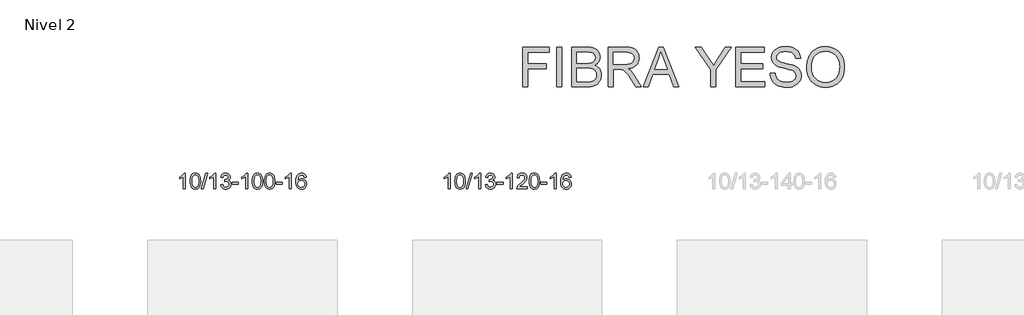
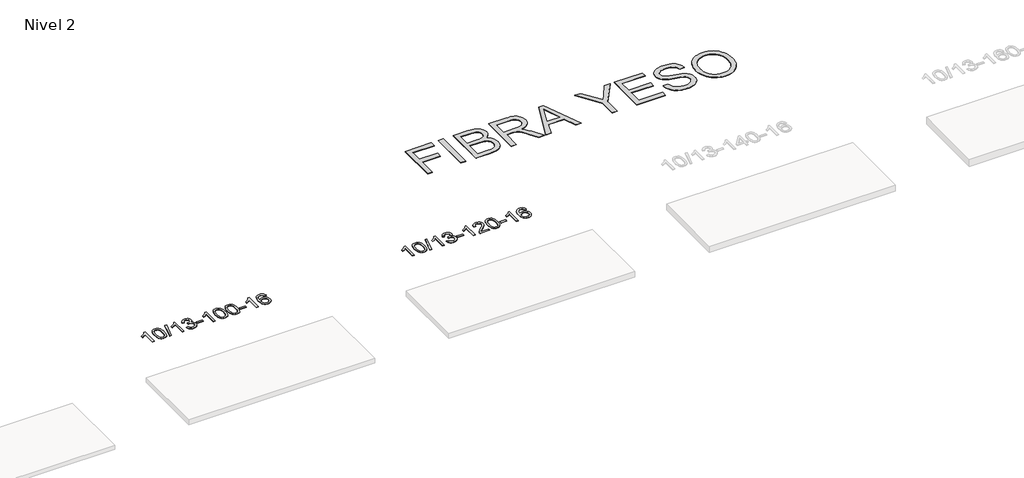
# One storey, part 25 of 51: 3 proxies.
"""IFC4 building model written with IfcOpenShell, lengths in millimetres."""

from ifc_helpers import new_model, si_unit, frame, origin, place, context, project, spatial, polyline, outline, extrude, element, save

model = new_model("IFC4")

# Units and contexts
model_context = context("Model", 3, world=origin())
ifc_project = project(units=[si_unit("LENGTHUNIT", "METRE", prefix="MILLI")], contexts=[model_context])

# Site, building, storey
site = spatial("IfcSite", under=ifc_project)
building = spatial("IfcBuilding", under=site)
storey = spatial("IfcBuildingStorey", under=building, Name="Nivel 2", Elevation=3000.0)

# Proxies
placement = place(None, origin())
element("IfcBuildingElementProxy", 1, Name="Texto de modelo 1", ObjectType="Texto de modelo 1", at=placement, inside=storey, context=model_context, shape_type="SweptSolid", body=[
    extrude(outline(polyline([(17714.5438724, -104863.8281584), (17664.3157174, -104863.8281584), (17664.3157174, -104550.6870041), (17643.3464436, -104567.6463641), (17616.7363126, -104584.5811986), (17563.8594072, -104609.9405308), (17563.8594072, -104562.459228), (17603.3086198, -104540.9994449), (17637.4848572, -104515.4684345), (17664.4260819, -104488.3187432), (17682.1702568, -104462.0029178), (17714.5438724, -104462.0029178), (17714.5438724, -104863.8281584)])), frame((0.0, 0.0, 3000.0), z_axis=(0.0, 0.0, 1.0), x_axis=(1.0, 0.0, 0.0)), (0.0, 0.0, 1.0), 10.0),
    extrude(outline(polyline([(17833.8357407, -104666.1528997), (17837.5268234, -104601.8348642), (17848.6000715, -104550.5398513), (17866.9451203, -104511.4830462), (17878.8031833, -104496.2496659), (17892.4516053, -104483.8796338), (17907.9363716, -104474.3085706), (17925.3034675, -104467.4720968), (17965.6846478, -104462.0029178), (17996.6357863, -104465.2402794), (18024.3495633, -104474.9523641), (18047.526129, -104490.7590271), (18064.8656337, -104512.2801238), (18077.9622327, -104539.3317132), (18088.4100814, -104571.7298543), (18095.2526865, -104612.8713241), (18097.5335549, -104666.1528997), (18093.8792604, -104730.1030532), (18082.9163769, -104781.2754387), (18064.6816927, -104820.3690321), (18052.8512209, -104835.6483976), (18039.2119959, -104848.082809), (18023.7088355, -104857.7182516), (18006.2865573, -104864.6007106), (17965.6846478, -104870.1066778), (17938.0199218, -104867.7154449), (17913.4944554, -104860.5417459), (17892.1082488, -104848.5855811), (17873.8613018, -104831.8469503), (17856.3501188, -104801.5886562), (17843.842131, -104763.8868831), (17836.3373383, -104718.7416309), (17833.8357407, -104666.1528997)]), holes=[polyline([(17884.0638958, -104666.0547978), (17885.5354238, -104709.719325), (17889.9500077, -104745.0635877), (17897.3076476, -104772.0875859), (17907.6083435, -104790.7913197), (17920.0672804, -104803.516971), (17933.8996434, -104812.606722), (17949.1054325, -104818.0605726), (17965.6846478, -104819.8785227), (17982.263863, -104818.0544412), (17997.4696522, -104812.5821965), (18011.3020152, -104803.4617887), (18023.7609521, -104790.6932178), (18034.061648, -104771.9588272), (18041.4192879, -104744.9409603), (18045.8338718, -104709.6396172), (18047.3053998, -104666.0547978), (18045.8829227, -104623.5460333), (18041.6154916, -104588.8241043), (18034.5031064, -104561.8890109), (18024.545767, -104542.740753), (18012.2952966, -104529.392768), (17998.303518, -104519.8584929), (17982.5704314, -104514.1379279), (17965.0960366, -104512.2310729), (17948.6026605, -104513.9110674), (17933.6543888, -104518.9510507), (17920.2512214, -104527.3510229), (17908.3931584, -104539.110984), (17897.749106, -104559.9576304), (17890.1462115, -104588.0638149), (17885.5844747, -104623.4295373), (17884.0638958, -104666.0547978)])]), frame((0.0, 0.0, 3000.0), z_axis=(0.0, 0.0, 1.0), x_axis=(1.0, 0.0, 0.0)), (0.0, 0.0, 1.0), 10.0),
    extrude(outline(polyline([(18116.369113, -104863.8281584), (18229.3824619, -104462.0029178), (18274.7055237, -104462.0029178), (18161.6921748, -104863.8281584), (18116.369113, -104863.8281584)])), frame((0.0, 0.0, 3000.0), z_axis=(0.0, 0.0, 1.0), x_axis=(1.0, 0.0, 0.0)), (0.0, 0.0, 1.0), 10.0),
    extrude(outline(polyline([(18486.8017567, -104863.8281584), (18436.5736016, -104863.8281584), (18436.5736016, -104550.6870041), (18415.6043279, -104567.6463641), (18388.9941969, -104584.5811986), (18336.1172915, -104609.9405308), (18336.1172915, -104562.459228), (18375.5665041, -104540.9994449), (18409.7427414, -104515.4684345), (18436.6839662, -104488.3187432), (18454.4281411, -104462.0029178), (18486.8017567, -104462.0029178), (18486.8017567, -104863.8281584)])), frame((0.0, 0.0, 3000.0), z_axis=(0.0, 0.0, 1.0), x_axis=(1.0, 0.0, 0.0)), (0.0, 0.0, 1.0), 10.0),
    extrude(outline(polyline([(18606.093625, -104757.0933289), (18656.3217801, -104750.8148095), (18667.5667064, -104782.3790847), (18684.035557, -104803.691715), (18706.5376724, -104815.8318208), (18735.8823929, -104819.8785227), (18770.3161476, -104814.3112419), (18784.5899691, -104807.3521408), (18796.9017532, -104797.6093993), (18813.8979013, -104772.6915255), (18819.5632841, -104742.476151), (18813.9469523, -104713.7936181), (18797.0979569, -104690.5312132), (18771.5914719, -104675.1169576), (18740.0026712, -104669.9788724), (18704.7841016, -104675.4725769), (18710.3759079, -104625.2444218), (18718.4202609, -104625.833033), (18748.5130081, -104622.2277895), (18775.4174446, -104611.4120588), (18786.4906927, -104603.2328158), (18794.4001556, -104593.1160609), (18799.1458333, -104581.0617942), (18800.7277259, -104567.0700157), (18796.1414637, -104545.3772407), (18782.3826771, -104527.7802186), (18761.3888779, -104516.1183593), (18735.097578, -104512.2310729), (18708.7572271, -104516.1551475), (18687.2238677, -104527.9273714), (18671.5030437, -104547.5477445), (18662.6002995, -104575.0162668), (18612.3721444, -104568.7377474), (18618.3257013, -104544.7579727), (18627.1610006, -104523.6354148), (18638.8780421, -104505.3700737), (18653.476826, -104489.9619495), (18670.4974996, -104477.7298731), (18689.4802106, -104468.9926757), (18710.4249588, -104463.7503573), (18733.3317444, -104462.0029178), (18764.9082823, -104465.4487459), (18793.9096463, -104475.7862299), (18818.3615362, -104492.095665), (18836.2896521, -104513.4573462), (18847.2893238, -104538.0686517), (18850.955881, -104564.1269597), (18847.4732648, -104588.4071714), (18837.0254161, -104610.4310402), (18819.7594878, -104629.1930219), (18795.8226326, -104643.6875725), (18827.2642805, -104656.3917641), (18850.5634735, -104678.0232254), (18864.9844477, -104707.4047341), (18869.7914391, -104743.3590678), (18867.3879434, -104768.8410273), (18860.1774563, -104792.3118986), (18848.1599778, -104813.7716816), (18831.3355079, -104833.2203764), (18810.8383494, -104849.3581333), (18787.8028052, -104860.8851025), (18762.2288751, -104867.801284), (18734.1165593, -104870.1066778), (18708.7081762, -104868.1385091), (18685.556136, -104862.2340031), (18664.6604386, -104852.3931598), (18646.0210842, -104838.615979), (18630.3922308, -104821.7118014), (18618.5280364, -104802.4899671), (18610.4285012, -104780.9504763), (18606.093625, -104757.0933289)])), frame((0.0, 0.0, 3000.0), z_axis=(0.0, 0.0, 1.0), x_axis=(1.0, 0.0, 0.0)), (0.0, 0.0, 1.0), 10.0),
    extrude(outline(polyline([(18901.1840361, -104744.5362901), (18901.1840361, -104694.3081351), (19058.1470207, -104694.3081351), (19058.1470207, -104744.5362901), (18901.1840361, -104744.5362901)])), frame((0.0, 0.0, 3000.0), z_axis=(0.0, 0.0, 1.0), x_axis=(1.0, 0.0, 0.0)), (0.0, 0.0, 1.0), 10.0),
    extrude(outline(polyline([(19290.4522379, -104863.8281584), (19240.2240828, -104863.8281584), (19240.2240828, -104550.6870041), (19219.2548091, -104567.6463641), (19192.6446781, -104584.5811986), (19139.7677727, -104609.9405308), (19139.7677727, -104562.459228), (19179.2169853, -104540.9994449), (19213.3932226, -104515.4684345), (19240.3344474, -104488.3187432), (19258.0786223, -104462.0029178), (19290.4522379, -104462.0029178), (19290.4522379, -104863.8281584)])), frame((0.0, 0.0, 3000.0), z_axis=(0.0, 0.0, 1.0), x_axis=(1.0, 0.0, 0.0)), (0.0, 0.0, 1.0), 10.0),
    extrude(outline(polyline([(19409.7441062, -104666.1528997), (19413.4351889, -104601.8348642), (19424.5084369, -104550.5398513), (19442.8534858, -104511.4830462), (19454.7115487, -104496.2496659), (19468.3599708, -104483.8796338), (19483.8447371, -104474.3085706), (19501.2118329, -104467.4720968), (19541.5930133, -104462.0029178), (19572.5441518, -104465.2402794), (19600.2579288, -104474.9523641), (19623.4344945, -104490.7590271), (19640.7739992, -104512.2801238), (19653.8705982, -104539.3317132), (19664.3184469, -104571.7298543), (19671.161052, -104612.8713241), (19673.4419203, -104666.1528997), (19669.7876259, -104730.1030532), (19658.8247424, -104781.2754387), (19640.5900582, -104820.3690321), (19628.7595863, -104835.6483976), (19615.1203614, -104848.082809), (19599.617201, -104857.7182516), (19582.1949228, -104864.6007106), (19541.5930133, -104870.1066778), (19513.9282872, -104867.7154449), (19489.4028209, -104860.5417459), (19468.0166142, -104848.5855811), (19449.7696673, -104831.8469503), (19432.2584843, -104801.5886562), (19419.7504965, -104763.8868831), (19412.2457038, -104718.7416309), (19409.7441062, -104666.1528997)]), holes=[polyline([(19459.9722613, -104666.0547978), (19461.4437893, -104709.719325), (19465.8583732, -104745.0635877), (19473.2160131, -104772.0875859), (19483.516709, -104790.7913197), (19495.9756459, -104803.516971), (19509.8080089, -104812.606722), (19525.013798, -104818.0605726), (19541.5930133, -104819.8785227), (19558.1722285, -104818.0544412), (19573.3780177, -104812.5821965), (19587.2103807, -104803.4617887), (19599.6693176, -104790.6932178), (19609.9700134, -104771.9588272), (19617.3276533, -104744.9409603), (19621.7422373, -104709.6396172), (19623.2137653, -104666.0547978), (19621.7912882, -104623.5460333), (19617.5238571, -104588.8241043), (19610.4114718, -104561.8890109), (19600.4541325, -104542.740753), (19588.2036621, -104529.392768), (19574.2118835, -104519.8584929), (19558.4787968, -104514.1379279), (19541.0044021, -104512.2310729), (19524.511026, -104513.9110674), (19509.5627542, -104518.9510507), (19496.1595869, -104527.3510229), (19484.3015239, -104539.110984), (19473.6574715, -104559.9576304), (19466.0545769, -104588.0638149), (19461.4928402, -104623.4295373), (19459.9722613, -104666.0547978)])]), frame((0.0, 0.0, 3000.0), z_axis=(0.0, 0.0, 1.0), x_axis=(1.0, 0.0, 0.0)), (0.0, 0.0, 1.0), 10.0),
    extrude(outline(polyline([(19717.391556, -104666.1528997), (19721.0826387, -104601.8348642), (19732.1558868, -104550.5398513), (19750.5009356, -104511.4830462), (19762.3589986, -104496.2496659), (19776.0074206, -104483.8796338), (19791.4921869, -104474.3085706), (19808.8592828, -104467.4720968), (19849.2404631, -104462.0029178), (19880.1916016, -104465.2402794), (19907.9053786, -104474.9523641), (19931.0819443, -104490.7590271), (19948.421449, -104512.2801238), (19961.518048, -104539.3317132), (19971.9658967, -104571.7298543), (19978.8085018, -104612.8713241), (19981.0893702, -104666.1528997), (19977.4350757, -104730.1030532), (19966.4721922, -104781.2754387), (19948.237508, -104820.3690321), (19936.4070362, -104835.6483976), (19922.7678112, -104848.082809), (19907.2646508, -104857.7182516), (19889.8423726, -104864.6007106), (19849.2404631, -104870.1066778), (19821.5757371, -104867.7154449), (19797.0502707, -104860.5417459), (19775.6640641, -104848.5855811), (19757.4171171, -104831.8469503), (19739.9059341, -104801.5886562), (19727.3979463, -104763.8868831), (19719.8931536, -104718.7416309), (19717.391556, -104666.1528997)]), holes=[polyline([(19767.6197111, -104666.0547978), (19769.0912391, -104709.719325), (19773.505823, -104745.0635877), (19780.8634629, -104772.0875859), (19791.1641588, -104790.7913197), (19803.6230957, -104803.516971), (19817.4554587, -104812.606722), (19832.6612479, -104818.0605726), (19849.2404631, -104819.8785227), (19865.8196784, -104818.0544412), (19881.0254675, -104812.5821965), (19894.8578305, -104803.4617887), (19907.3167674, -104790.6932178), (19917.6174633, -104771.9588272), (19924.9751032, -104744.9409603), (19929.3896871, -104709.6396172), (19930.8612151, -104666.0547978), (19929.4387381, -104623.5460333), (19925.1713069, -104588.8241043), (19918.0589217, -104561.8890109), (19908.1015823, -104542.740753), (19895.8511119, -104529.392768), (19881.8593333, -104519.8584929), (19866.1262467, -104514.1379279), (19848.6518519, -104512.2310729), (19832.1584758, -104513.9110674), (19817.2102041, -104518.9510507), (19803.8070367, -104527.3510229), (19791.9489737, -104539.110984), (19781.3049213, -104559.9576304), (19773.7020268, -104588.0638149), (19769.14029, -104623.4295373), (19767.6197111, -104666.0547978)])]), frame((0.0, 0.0, 3000.0), z_axis=(0.0, 0.0, 1.0), x_axis=(1.0, 0.0, 0.0)), (0.0, 0.0, 1.0), 10.0),
    extrude(outline(polyline([(20012.4819671, -104744.5362901), (20012.4819671, -104694.3081351), (20169.4449517, -104694.3081351), (20169.4449517, -104744.5362901), (20012.4819671, -104744.5362901)])), frame((0.0, 0.0, 3000.0), z_axis=(0.0, 0.0, 1.0), x_axis=(1.0, 0.0, 0.0)), (0.0, 0.0, 1.0), 10.0),
    extrude(outline(polyline([(20401.7501689, -104863.8281584), (20351.5220139, -104863.8281584), (20351.5220139, -104550.6870041), (20330.5527401, -104567.6463641), (20303.9426091, -104584.5811986), (20251.0657037, -104609.9405308), (20251.0657037, -104562.459228), (20290.5149163, -104540.9994449), (20324.6911537, -104515.4684345), (20351.6323785, -104488.3187432), (20369.3765534, -104462.0029178), (20401.7501689, -104462.0029178), (20401.7501689, -104863.8281584)])), frame((0.0, 0.0, 3000.0), z_axis=(0.0, 0.0, 1.0), x_axis=(1.0, 0.0, 0.0)), (0.0, 0.0, 1.0), 10.0),
    extrude(outline(polyline([(20778.461332, -104568.7377474), (20728.2331769, -104575.0162668), (20720.139773, -104550.1229184), (20709.201415, -104533.1267702), (20686.4172568, -104517.4549972), (20658.8751581, -104512.2310729), (20635.5269141, -104515.2722307), (20613.5520963, -104524.3957042), (20594.6797499, -104543.6114071), (20579.2654943, -104570.0621226), (20568.8544339, -104607.4757215), (20564.9916729, -104659.5800747), (20585.1393435, -104636.0724152), (20609.2846651, -104619.5054627), (20636.0787371, -104609.6830134), (20664.1726588, -104606.4088637), (20688.3057177, -104608.6468125), (20710.5748411, -104615.3606589), (20730.9800291, -104626.5504029), (20749.5212817, -104642.2160445), (20764.9294059, -104661.4256161), (20775.935209, -104683.2471497), (20782.5386908, -104707.6806456), (20784.7398514, -104734.7261036), (20780.5950476, -104770.6927), (20768.1606361, -104804.0350715), (20748.4666866, -104832.3129342), (20722.5432687, -104853.0860042), (20691.5676047, -104865.8515094), (20656.7169171, -104870.1066778), (20626.7743883, -104867.2862492), (20599.731996, -104858.8249633), (20575.5897401, -104844.7228202), (20554.3476205, -104824.9798197), (20537.0295756, -104798.7620962), (20524.6595435, -104765.2357837), (20517.2375243, -104724.4008823), (20514.7635178, -104676.2573918), (20517.5103701, -104622.2829718), (20525.7509268, -104576.2180146), (20539.4851879, -104538.0625203), (20558.7131535, -104507.816489), (20579.5536686, -104487.7730516), (20603.7173843, -104473.4563106), (20631.2043007, -104464.866266), (20662.0144178, -104462.0029178), (20685.1480639, -104463.7748828), (20706.0866808, -104469.0907776), (20724.8302685, -104477.9506023), (20741.3788269, -104490.3543569), (20755.2847663, -104505.8851085), (20766.100497, -104524.1259241), (20773.8260188, -104545.0768037), (20778.461332, -104568.7377474)]), holes=[polyline([(20564.9916729, -104733.9412887), (20567.8979407, -104756.1981494), (20576.616744, -104777.449466), (20590.1548014, -104795.7209384), (20607.5188316, -104809.0382666), (20628.4758426, -104817.1684587), (20652.7928424, -104819.8785227), (20685.9390102, -104814.262191), (20699.8541467, -104807.2417762), (20711.9973182, -104797.4131956), (20721.8473586, -104785.1749879), (20728.8831018, -104770.9256919), (20734.5116963, -104736.3938353), (20728.9566782, -104703.2476675), (20722.0129055, -104689.6268367), (20712.2916238, -104677.9741745), (20700.1116641, -104668.6391688), (20685.7918574, -104661.9713077), (20650.7327033, -104656.6370188), (20617.6355864, -104661.9713077), (20589.9585977, -104677.9741745), (20579.0355681, -104689.4735525), (20571.2334041, -104702.6345309), (20566.5521057, -104717.4571096), (20564.9916729, -104733.9412887)])]), frame((0.0, 0.0, 3000.0), z_axis=(0.0, 0.0, 1.0), x_axis=(1.0, 0.0, 0.0)), (0.0, 0.0, 1.0), 10.0),
])
element("IfcBuildingElementProxy", 2, Name="Texto de modelo 1", ObjectType="Texto de modelo 1", at=placement, inside=storey, context=model_context, shape_type="SweptSolid", body=[
    extrude(outline(polyline([(24429.4844072, -104863.8281584), (24379.2562522, -104863.8281584), (24379.2562522, -104550.6870041), (24358.2869784, -104567.6463641), (24331.6768475, -104584.5811986), (24278.799942, -104609.9405308), (24278.799942, -104562.459228), (24318.2491546, -104540.9994449), (24352.425392, -104515.4684345), (24379.3666168, -104488.3187432), (24397.1107917, -104462.0029178), (24429.4844072, -104462.0029178), (24429.4844072, -104863.8281584)])), frame((0.0, 0.0, 3000.0), z_axis=(0.0, 0.0, 1.0), x_axis=(1.0, 0.0, 0.0)), (0.0, 0.0, 1.0), 10.0),
    extrude(outline(polyline([(24548.7762756, -104666.1528997), (24552.4673582, -104601.8348642), (24563.5406063, -104550.5398513), (24581.8856551, -104511.4830462), (24593.7437181, -104496.2496659), (24607.3921401, -104483.8796338), (24622.8769064, -104474.3085706), (24640.2440023, -104467.4720968), (24680.6251826, -104462.0029178), (24711.5763212, -104465.2402794), (24739.2900981, -104474.9523641), (24762.4666638, -104490.7590271), (24779.8061685, -104512.2801238), (24792.9027676, -104539.3317132), (24803.3506162, -104571.7298543), (24810.1932213, -104612.8713241), (24812.4740897, -104666.1528997), (24808.8197952, -104730.1030532), (24797.8569118, -104781.2754387), (24779.6222275, -104820.3690321), (24767.7917557, -104835.6483976), (24754.1525307, -104848.082809), (24738.6493703, -104857.7182516), (24721.2270922, -104864.6007106), (24680.6251826, -104870.1066778), (24652.9604566, -104867.7154449), (24628.4349902, -104860.5417459), (24607.0487836, -104848.5855811), (24588.8018366, -104831.8469503), (24571.2906537, -104801.5886562), (24558.7826658, -104763.8868831), (24551.2778731, -104718.7416309), (24548.7762756, -104666.1528997)]), holes=[polyline([(24599.0044306, -104666.0547978), (24600.4759586, -104709.719325), (24604.8905425, -104745.0635877), (24612.2481825, -104772.0875859), (24622.5488783, -104790.7913197), (24635.0078152, -104803.516971), (24648.8401782, -104812.606722), (24664.0459674, -104818.0605726), (24680.6251826, -104819.8785227), (24697.2043979, -104818.0544412), (24712.410187, -104812.5821965), (24726.24255, -104803.4617887), (24738.7014869, -104790.6932178), (24749.0021828, -104771.9588272), (24756.3598227, -104744.9409603), (24760.7744066, -104709.6396172), (24762.2459346, -104666.0547978), (24760.8234576, -104623.5460333), (24756.5560264, -104588.8241043), (24749.4436412, -104561.8890109), (24739.4863019, -104542.740753), (24727.2358314, -104529.392768), (24713.2440529, -104519.8584929), (24697.5109662, -104514.1379279), (24680.0365714, -104512.2310729), (24663.5431953, -104513.9110674), (24648.5949236, -104518.9510507), (24635.1917562, -104527.3510229), (24623.3336932, -104539.110984), (24612.6896408, -104559.9576304), (24605.0867463, -104588.0638149), (24600.5250095, -104623.4295373), (24599.0044306, -104666.0547978)])]), frame((0.0, 0.0, 3000.0), z_axis=(0.0, 0.0, 1.0), x_axis=(1.0, 0.0, 0.0)), (0.0, 0.0, 1.0), 10.0),
    extrude(outline(polyline([(24831.3096478, -104863.8281584), (24944.3229968, -104462.0029178), (24989.6460586, -104462.0029178), (24876.6327097, -104863.8281584), (24831.3096478, -104863.8281584)])), frame((0.0, 0.0, 3000.0), z_axis=(0.0, 0.0, 1.0), x_axis=(1.0, 0.0, 0.0)), (0.0, 0.0, 1.0), 10.0),
    extrude(outline(polyline([(25201.7422915, -104863.8281584), (25151.5141364, -104863.8281584), (25151.5141364, -104550.6870041), (25130.5448627, -104567.6463641), (25103.9347317, -104584.5811986), (25051.0578263, -104609.9405308), (25051.0578263, -104562.459228), (25090.5070389, -104540.9994449), (25124.6832763, -104515.4684345), (25151.624501, -104488.3187432), (25169.3686759, -104462.0029178), (25201.7422915, -104462.0029178), (25201.7422915, -104863.8281584)])), frame((0.0, 0.0, 3000.0), z_axis=(0.0, 0.0, 1.0), x_axis=(1.0, 0.0, 0.0)), (0.0, 0.0, 1.0), 10.0),
    extrude(outline(polyline([(25321.0341598, -104757.0933289), (25371.2623149, -104750.8148095), (25382.5072412, -104782.3790847), (25398.9760919, -104803.691715), (25421.4782072, -104815.8318208), (25450.8229277, -104819.8785227), (25485.2566825, -104814.3112419), (25499.5305039, -104807.3521408), (25511.842288, -104797.6093993), (25528.8384362, -104772.6915255), (25534.5038189, -104742.476151), (25528.8874871, -104713.7936181), (25512.0384917, -104690.5312132), (25486.5320067, -104675.1169576), (25454.9432061, -104669.9788724), (25419.7246364, -104675.4725769), (25425.3164427, -104625.2444218), (25433.3607957, -104625.833033), (25463.4535429, -104622.2277895), (25490.3579795, -104611.4120588), (25501.4312275, -104603.2328158), (25509.3406904, -104593.1160609), (25514.0863682, -104581.0617942), (25515.6682607, -104567.0700157), (25511.0819985, -104545.3772407), (25497.3232119, -104527.7802186), (25476.3294127, -104516.1183593), (25450.0381128, -104512.2310729), (25423.6977619, -104516.1551475), (25402.1644025, -104527.9273714), (25386.4435786, -104547.5477445), (25377.5408343, -104575.0162668), (25327.3126792, -104568.7377474), (25333.2662362, -104544.7579727), (25342.1015354, -104523.6354148), (25353.818577, -104505.3700737), (25368.4173608, -104489.9619495), (25385.4380344, -104477.7298731), (25404.4207454, -104468.9926757), (25425.3654937, -104463.7503573), (25448.2722792, -104462.0029178), (25479.8488171, -104465.4487459), (25508.8501811, -104475.7862299), (25533.302071, -104492.095665), (25551.2301869, -104513.4573462), (25562.2298586, -104538.0686517), (25565.8964158, -104564.1269597), (25562.4137996, -104588.4071714), (25551.9659509, -104610.4310402), (25534.7000226, -104629.1930219), (25510.7631675, -104643.6875725), (25542.2048153, -104656.3917641), (25565.5040084, -104678.0232254), (25579.9249826, -104707.4047341), (25584.731974, -104743.3590678), (25582.3284783, -104768.8410273), (25575.1179912, -104792.3118986), (25563.1005127, -104813.7716816), (25546.2760427, -104833.2203764), (25525.7788842, -104849.3581333), (25502.74334, -104860.8851025), (25477.1694099, -104867.801284), (25449.0570941, -104870.1066778), (25423.648711, -104868.1385091), (25400.4966708, -104862.2340031), (25379.6009735, -104852.3931598), (25360.961619, -104838.615979), (25345.3327656, -104821.7118014), (25333.4685713, -104802.4899671), (25325.369036, -104780.9504763), (25321.0341598, -104757.0933289)])), frame((0.0, 0.0, 3000.0), z_axis=(0.0, 0.0, 1.0), x_axis=(1.0, 0.0, 0.0)), (0.0, 0.0, 1.0), 10.0),
    extrude(outline(polyline([(25616.1245709, -104744.5362901), (25616.1245709, -104694.3081351), (25773.0875555, -104694.3081351), (25773.0875555, -104744.5362901), (25616.1245709, -104744.5362901)])), frame((0.0, 0.0, 3000.0), z_axis=(0.0, 0.0, 1.0), x_axis=(1.0, 0.0, 0.0)), (0.0, 0.0, 1.0), 10.0),
    extrude(outline(polyline([(26005.3927727, -104863.8281584), (25955.1646176, -104863.8281584), (25955.1646176, -104550.6870041), (25934.1953439, -104567.6463641), (25907.5852129, -104584.5811986), (25854.7083075, -104609.9405308), (25854.7083075, -104562.459228), (25894.1575201, -104540.9994449), (25928.3337575, -104515.4684345), (25955.2749822, -104488.3187432), (25973.0191571, -104462.0029178), (26005.3927727, -104462.0029178), (26005.3927727, -104863.8281584)])), frame((0.0, 0.0, 3000.0), z_axis=(0.0, 0.0, 1.0), x_axis=(1.0, 0.0, 0.0)), (0.0, 0.0, 1.0), 10.0),
    extrude(outline(polyline([(26382.1039358, -104813.6000034), (26382.1039358, -104863.8281584), (26118.4061216, -104863.8281584), (26119.5097676, -104846.1452972), (26123.8017242, -104829.1982), (26136.1870847, -104802.1343478), (26154.3114044, -104775.8798361), (26180.5291279, -104748.3990511), (26217.1947001, -104717.656379), (26271.3959807, -104669.5128886), (26303.9167491, -104633.9754879), (26320.1771333, -104605.1335394), (26325.5972613, -104577.0764059), (26320.4837016, -104551.9255402), (26305.1430224, -104531.0175801), (26281.5617865, -104516.9276997), (26251.7265567, -104512.2310729), (26220.3952734, -104516.8173351), (26196.0537481, -104530.5761217), (26180.3451869, -104552.4283123), (26174.9127961, -104581.2947861), (26124.684641, -104575.0162668), (26129.0041888, -104549.0867175), (26136.8615351, -104526.4313179), (26148.2566799, -104507.0500681), (26163.1896232, -104490.9429681), (26181.3170085, -104478.2816961), (26202.2954793, -104469.2379304), (26226.1250355, -104463.811671), (26252.8056772, -104462.0029178), (26279.7254422, -104464.0140061), (26303.6837571, -104470.0472708), (26324.680622, -104480.102712), (26342.7160368, -104494.1803297), (26357.2013904, -104511.2377915), (26367.5480715, -104530.2327652), (26373.7560802, -104551.1652507), (26375.8254164, -104574.0352481), (26373.593599, -104598.0579424), (26366.8981466, -104621.6637037), (26355.0155582, -104645.6741353), (26337.2223324, -104670.9108402), (26308.8586305, -104701.0403756), (26265.2646141, -104739.7292987), (26207.4826154, -104788.0444674), (26184.8210845, -104813.6000034), (26382.1039358, -104813.6000034)])), frame((0.0, 0.0, 3000.0), z_axis=(0.0, 0.0, 1.0), x_axis=(1.0, 0.0, 0.0)), (0.0, 0.0, 1.0), 10.0),
    extrude(outline(polyline([(26432.3320909, -104666.1528997), (26436.0231735, -104601.8348642), (26447.0964216, -104550.5398513), (26465.4414704, -104511.4830462), (26477.2995334, -104496.2496659), (26490.9479554, -104483.8796338), (26506.4327217, -104474.3085706), (26523.7998176, -104467.4720968), (26564.1809979, -104462.0029178), (26595.1321365, -104465.2402794), (26622.8459134, -104474.9523641), (26646.0224791, -104490.7590271), (26663.3619838, -104512.2801238), (26676.4585829, -104539.3317132), (26686.9064315, -104571.7298543), (26693.7490366, -104612.8713241), (26696.029905, -104666.1528997), (26692.3756105, -104730.1030532), (26681.4127271, -104781.2754387), (26663.1780428, -104820.3690321), (26651.347571, -104835.6483976), (26637.708346, -104848.082809), (26622.2051856, -104857.7182516), (26604.7829075, -104864.6007106), (26564.1809979, -104870.1066778), (26536.5162719, -104867.7154449), (26511.9908055, -104860.5417459), (26490.6045989, -104848.5855811), (26472.3576519, -104831.8469503), (26454.846469, -104801.5886562), (26442.3384811, -104763.8868831), (26434.8336884, -104718.7416309), (26432.3320909, -104666.1528997)]), holes=[polyline([(26482.5602459, -104666.0547978), (26484.0317739, -104709.719325), (26488.4463579, -104745.0635877), (26495.8039978, -104772.0875859), (26506.1046936, -104790.7913197), (26518.5636305, -104803.516971), (26532.3959935, -104812.606722), (26547.6017827, -104818.0605726), (26564.1809979, -104819.8785227), (26580.7602132, -104818.0544412), (26595.9660023, -104812.5821965), (26609.7983653, -104803.4617887), (26622.2573022, -104790.6932178), (26632.5579981, -104771.9588272), (26639.915638, -104744.9409603), (26644.3302219, -104709.6396172), (26645.8017499, -104666.0547978), (26644.3792729, -104623.5460333), (26640.1118417, -104588.8241043), (26632.9994565, -104561.8890109), (26623.0421172, -104542.740753), (26610.7916467, -104529.392768), (26596.7998682, -104519.8584929), (26581.0667815, -104514.1379279), (26563.5923867, -104512.2310729), (26547.0990106, -104513.9110674), (26532.1507389, -104518.9510507), (26518.7475715, -104527.3510229), (26506.8895085, -104539.110984), (26496.2454562, -104559.9576304), (26488.6425616, -104588.0638149), (26484.0808248, -104623.4295373), (26482.5602459, -104666.0547978)])]), frame((0.0, 0.0, 3000.0), z_axis=(0.0, 0.0, 1.0), x_axis=(1.0, 0.0, 0.0)), (0.0, 0.0, 1.0), 10.0),
    extrude(outline(polyline([(26727.4225019, -104744.5362901), (26727.4225019, -104694.3081351), (26884.3854865, -104694.3081351), (26884.3854865, -104744.5362901), (26727.4225019, -104744.5362901)])), frame((0.0, 0.0, 3000.0), z_axis=(0.0, 0.0, 1.0), x_axis=(1.0, 0.0, 0.0)), (0.0, 0.0, 1.0), 10.0),
    extrude(outline(polyline([(27116.6907038, -104863.8281584), (27066.4625487, -104863.8281584), (27066.4625487, -104550.6870041), (27045.493275, -104567.6463641), (27018.883144, -104584.5811986), (26966.0062385, -104609.9405308), (26966.0062385, -104562.459228), (27005.4554511, -104540.9994449), (27039.6316885, -104515.4684345), (27066.5729133, -104488.3187432), (27084.3170882, -104462.0029178), (27116.6907038, -104462.0029178), (27116.6907038, -104863.8281584)])), frame((0.0, 0.0, 3000.0), z_axis=(0.0, 0.0, 1.0), x_axis=(1.0, 0.0, 0.0)), (0.0, 0.0, 1.0), 10.0),
    extrude(outline(polyline([(27493.4018668, -104568.7377474), (27443.1737117, -104575.0162668), (27435.0803078, -104550.1229184), (27424.1419499, -104533.1267702), (27401.3577916, -104517.4549972), (27373.8156929, -104512.2310729), (27350.467449, -104515.2722307), (27328.4926311, -104524.3957042), (27309.6202848, -104543.6114071), (27294.2060292, -104570.0621226), (27283.7949687, -104607.4757215), (27279.9322077, -104659.5800747), (27300.0798783, -104636.0724152), (27324.2252, -104619.5054627), (27351.0192719, -104609.6830134), (27379.1131936, -104606.4088637), (27403.2462525, -104608.6468125), (27425.515376, -104615.3606589), (27445.920564, -104626.5504029), (27464.4618165, -104642.2160445), (27479.8699408, -104661.4256161), (27490.8757438, -104683.2471497), (27497.4792256, -104707.6806456), (27499.6803862, -104734.7261036), (27495.5355824, -104770.6927), (27483.1011709, -104804.0350715), (27463.4072215, -104832.3129342), (27437.4838035, -104853.0860042), (27406.5081396, -104865.8515094), (27371.6574519, -104870.1066778), (27341.7149232, -104867.2862492), (27314.6725308, -104858.8249633), (27290.5302749, -104844.7228202), (27269.2881554, -104824.9798197), (27251.9701104, -104798.7620962), (27239.6000783, -104765.2357837), (27232.1780591, -104724.4008823), (27229.7040527, -104676.2573918), (27232.4509049, -104622.2829718), (27240.6914616, -104576.2180146), (27254.4257227, -104538.0625203), (27273.6536884, -104507.816489), (27294.4942034, -104487.7730516), (27318.6579191, -104473.4563106), (27346.1448355, -104464.866266), (27376.9549526, -104462.0029178), (27400.0885987, -104463.7748828), (27421.0272156, -104469.0907776), (27439.7708033, -104477.9506023), (27456.3193617, -104490.3543569), (27470.2253011, -104505.8851085), (27481.0410318, -104524.1259241), (27488.7665537, -104545.0768037), (27493.4018668, -104568.7377474)]), holes=[polyline([(27279.9322077, -104733.9412887), (27282.8384755, -104756.1981494), (27291.5572788, -104777.449466), (27305.0953362, -104795.7209384), (27322.4593664, -104809.0382666), (27343.4163774, -104817.1684587), (27367.7333773, -104819.8785227), (27400.879545, -104814.262191), (27414.7946815, -104807.2417762), (27426.937853, -104797.4131956), (27436.7878934, -104785.1749879), (27443.8236366, -104770.9256919), (27449.4522311, -104736.3938353), (27443.897213, -104703.2476675), (27436.9534403, -104689.6268367), (27427.2321586, -104677.9741745), (27415.0521989, -104668.6391688), (27400.7323922, -104661.9713077), (27365.6732381, -104656.6370188), (27332.5761213, -104661.9713077), (27304.8991325, -104677.9741745), (27293.9761029, -104689.4735525), (27286.1739389, -104702.6345309), (27281.4926405, -104717.4571096), (27279.9322077, -104733.9412887)])]), frame((0.0, 0.0, 3000.0), z_axis=(0.0, 0.0, 1.0), x_axis=(1.0, 0.0, 0.0)), (0.0, 0.0, 1.0), 10.0),
])
element("IfcBuildingElementProxy", 3, Name="Texto de modelo 2", ObjectType="Texto de modelo 2", at=placement, inside=storey, context=model_context, shape_type="SweptSolid", body=[
    extrude(outline(polyline([(26267.6382809, -102272.294979), (26267.6382809, -101267.7318775), (26942.5791147, -101267.7318775), (26942.5791147, -101393.3022652), (26393.2086686, -101393.3022652), (26393.2086686, -101691.531936), (26864.0976224, -101691.531936), (26864.0976224, -101817.1023237), (26393.2086686, -101817.1023237), (26393.2086686, -102272.294979), (26267.6382809, -102272.294979)])), frame((0.0, 0.0, 3000.0), z_axis=(0.0, 0.0, 1.0), x_axis=(1.0, 0.0, 0.0)), (0.0, 0.0, 1.0), 10.0),
    extrude(outline(polyline([(27130.9346962, -102272.294979), (27130.9346962, -101267.7318775), (27256.5050839, -101267.7318775), (27256.5050839, -102272.294979), (27130.9346962, -102272.294979)])), frame((0.0, 0.0, 3000.0), z_axis=(0.0, 0.0, 1.0), x_axis=(1.0, 0.0, 0.0)), (0.0, 0.0, 1.0), 10.0),
    extrude(outline(polyline([(27507.6458593, -102272.294979), (27507.6458593, -101267.7318775), (27890.9788983, -101267.7318775), (27946.582729, -101269.5789517), (27996.4077467, -101275.1201743), (28040.4539514, -101284.3555452), (28078.7213431, -101297.2850645), (28112.1832763, -101314.0466879), (28141.8131053, -101334.7783712), (28167.6108302, -101359.4801143), (28189.576451, -101388.1519173), (28207.1198237, -101419.1766322), (28219.6508041, -101450.9371111), (28227.1693924, -101483.4333541), (28229.6755885, -101516.6653609), (28227.5679312, -101547.3605149), (28221.2449594, -101577.1512923), (28210.7066731, -101606.0376932), (28195.9530723, -101634.0197174), (28176.9381716, -101660.2236454), (28153.615986, -101683.7757573), (28125.9865153, -101704.6760531), (28094.0497596, -101722.9245329), (28131.9492693, -101739.0806839), (28165.2042688, -101760.0806144), (28193.8147582, -101785.9243246), (28217.7807373, -101816.6118144), (28236.7189959, -101851.2080503), (28250.2463234, -101888.7779991), (28258.3627199, -101929.3216606), (28261.0681854, -101972.839035), (28259.2211112, -102008.5005959), (28253.6798887, -102042.8898982), (28244.4445178, -102076.006942), (28231.5149985, -102107.8517272), (28215.857021, -102137.2669584), (28198.4362757, -102163.0953401), (28179.2527625, -102185.3368724), (28158.3064814, -102203.9915553), (28135.1069231, -102219.8258095), (28109.1635782, -102233.6060559), (28049.0455289, -102255.0045253), (27975.990296, -102267.9723656), (27888.0358423, -102272.294979), (27507.6458593, -102272.294979)]), holes=[polyline([(27633.216247, -101675.8356375), (27862.5293573, -101675.8356375), (27942.7276323, -101673.1378362), (27996.4384035, -101665.0444323), (28021.5233571, -101656.897379), (28043.3127011, -101646.4357347), (28061.8064356, -101633.6594996), (28077.0045605, -101618.5686736), (28088.8610906, -101601.2705556), (28097.3300407, -101581.8724446), (28102.4114108, -101560.3743405), (28104.1052008, -101536.7762434), (28102.5263739, -101514.1821575), (28097.7898932, -101492.9982859), (28089.8957587, -101473.2246287), (28078.8439705, -101454.8611858), (28064.8491262, -101438.5900717), (28048.1258239, -101425.093401), (28028.6740634, -101414.3711737), (28006.4938447, -101406.4233897), (27942.6050049, -101396.5825464), (27845.1162762, -101393.3022652), (27633.216247, -101393.3022652), (27633.216247, -101675.8356375)]), polyline([(27633.216247, -102146.7245914), (27890.7336436, -102146.7245914), (27947.1422162, -102145.498318), (27983.9304157, -102141.8194981), (28027.187207, -102130.9363224), (28062.77979, -102114.4736031), (28091.7198403, -102090.8984986), (28115.0190333, -102058.6781672), (28130.3781066, -102019.25348), (28135.4977977, -101974.0653083), (28133.9956129, -101946.9033543), (28129.4890585, -101921.5808103), (28121.9781344, -101898.0976763), (28111.4628407, -101876.4539522), (28097.5829596, -101857.270439), (28079.9782733, -101841.1679375), (28058.6487818, -101828.1464477), (28033.5944851, -101818.2059697), (28003.7117372, -101810.855994), (27967.8968921, -101805.6060113), (27878.4709104, -101801.4060252), (27633.216247, -101801.4060252), (27633.216247, -102146.7245914)])]), frame((0.0, 0.0, 3000.0), z_axis=(0.0, 0.0, 1.0), x_axis=(1.0, 0.0, 0.0)), (0.0, 0.0, 1.0), 10.0),
    extrude(outline(polyline([(28433.7274685, -102272.294979), (28433.7274685, -101267.7318775), (28866.6019495, -101267.7318775), (28928.7356856, -101269.4256676), (28982.9446304, -101274.5070376), (29029.228784, -101282.9759877), (29067.5881462, -101294.8325179), (29100.2530017, -101310.9886688), (29129.453635, -101332.3564814), (29155.1900463, -101358.9359555), (29177.4622354, -101390.7270913), (29195.4348037, -101426.0207702), (29208.2723525, -101463.1078738), (29215.9748818, -101501.9884022), (29218.5423915, -101542.6623553), (29214.288756, -101594.2578051), (29201.5278492, -101641.622612), (29180.2596714, -101684.7567759), (29150.4842224, -101723.6602969), (29111.8182919, -101757.0915732), (29063.8786694, -101783.8090031), (29006.6653549, -101803.8125866), (28940.1783485, -101817.1023237), (28981.565073, -101844.1416503), (29011.5474556, -101870.813095), (29062.9896212, -101931.8201925), (29113.3281409, -102000.0623026), (29280.837076, -102272.294979), (29134.9105513, -102272.294979), (29004.1898157, -102064.0737698), (28951.8892587, -101984.6112588), (28909.7667702, -101926.2406489), (28874.6646965, -101886.0495409), (28843.4253838, -101861.1255358), (28813.84154, -101846.5022265), (28783.7058732, -101837.2132061), (28710.8652382, -101832.7986221), (28559.2978562, -101832.7986221), (28559.2978562, -102272.294979), (28433.7274685, -102272.294979)]), holes=[polyline([(28559.2978562, -101707.2282345), (28840.3597005, -101707.2282345), (28921.0791416, -101702.7829937), (28983.7110513, -101689.4472714), (29008.8956395, -101679.2232176), (29030.8612603, -101666.3320193), (29049.6079137, -101650.7736766), (29065.1355995, -101632.5481894), (29077.3140264, -101612.5522702), (29086.0129028, -101591.6826311), (29091.2322286, -101569.9392724), (29092.9720038, -101547.3221939), (29089.6534017, -101515.2091614), (29079.6975952, -101486.0698417), (29063.1045844, -101459.9042348), (29039.8743692, -101436.7123407), (29009.4704551, -101417.7204327), (28971.3563476, -101404.1547841), (28925.5320466, -101396.0153949), (28871.9975521, -101393.3022652), (28559.2978562, -101393.3022652), (28559.2978562, -101707.2282345)])]), frame((0.0, 0.0, 3000.0), z_axis=(0.0, 0.0, 1.0), x_axis=(1.0, 0.0, 0.0)), (0.0, 0.0, 1.0), 10.0),
    extrude(outline(polyline([(29321.3040955, -102272.294979), (29722.2954703, -101267.7318775), (29829.2265035, -101267.7318775), (30230.2178783, -102272.294979), (30097.5351053, -102272.294979), (29982.5106682, -101958.3690098), (29568.7660509, -101958.3690098), (29453.9868684, -102272.294979), (29321.3040955, -102272.294979)]), holes=[polyline([(29614.8739277, -101832.7986221), (29936.6480461, -101832.7986221), (29846.1490753, -101585.827176), (29775.7609869, -101393.3022652), (29713.2210477, -101564.2447657), (29614.8739277, -101832.7986221)])]), frame((0.0, 0.0, 3000.0), z_axis=(0.0, 0.0, 1.0), x_axis=(1.0, 0.0, 0.0)), (0.0, 0.0, 1.0), 10.0),
    extrude(outline(polyline([(31039.313013, -102272.294979), (31039.313013, -101846.778138), (30646.9055515, -101267.7318775), (30795.0393682, -101267.7318775), (31004.4868508, -101576.9980082), (31111.6631387, -101734.6967568), (31219.0846813, -101565.7162936), (31409.1570455, -101267.7318775), (31557.2908622, -101267.7318775), (31164.8834007, -101846.778138), (31164.8834007, -102272.294979), (31039.313013, -102272.294979)])), frame((0.0, 0.0, 3000.0), z_axis=(0.0, 0.0, 1.0), x_axis=(1.0, 0.0, 0.0)), (0.0, 0.0, 1.0), 10.0),
    extrude(outline(polyline([(31667.1649514, -102272.294979), (31667.1649514, -101267.7318775), (32389.1946806, -101267.7318775), (32389.1946806, -101393.3022652), (31792.7353391, -101393.3022652), (31792.7353391, -101691.531936), (32357.8020837, -101691.531936), (32357.8020837, -101817.1023237), (31792.7353391, -101817.1023237), (31792.7353391, -102146.7245914), (32404.8909791, -102146.7245914), (32404.8909791, -102272.294979), (31667.1649514, -102272.294979)])), frame((0.0, 0.0, 3000.0), z_axis=(0.0, 0.0, 1.0), x_axis=(1.0, 0.0, 0.0)), (0.0, 0.0, 1.0), 10.0),
    extrude(outline(polyline([(32546.1576652, -101926.9764129), (32671.7280529, -101926.9764129), (32677.4762091, -101963.527022), (32686.1367644, -101996.6593942), (32697.7097188, -102026.3735295), (32712.1950724, -102052.6694279), (32730.3285891, -102076.0759199), (32752.8460329, -102097.1218357), (32779.7474038, -102115.8071753), (32811.0327018, -102132.1319389), (32845.5522956, -102145.3833549), (32882.1565542, -102154.8486521), (32920.8454773, -102160.5278304), (32961.6190651, -102162.4208898), (33031.5779579, -102156.6880621), (33063.2924515, -102149.5220274), (33092.8303101, -102139.4895788), (33119.4634337, -102126.9509341), (33142.4637226, -102112.2663111), (33161.8311768, -102095.4357099), (33177.5657963, -102076.4591303), (33189.7442232, -102056.1566427), (33198.4430995, -102035.3483173), (33203.6624253, -102014.0341542), (33205.4022006, -101992.2141534), (33200.190539, -101950.1836354), (33184.5555542, -101913.8552884), (33171.4037729, -101897.7374585), (33152.7950753, -101882.8612303), (33128.7294614, -101869.2266039), (33099.2069313, -101856.8335792), (33032.8962017, -101837.1212356), (32916.3695797, -101808.8862925), (32796.3480788, -101777.1564704), (32752.5471287, -101761.8663749), (32719.5527123, -101746.9594899), (32686.0218013, -101726.9559064), (32657.0434299, -101704.7143742), (32632.6175983, -101680.2348931), (32612.7443064, -101653.5174632), (32597.346912, -101624.8379959), (32586.3487732, -101594.4724029), (32579.7498899, -101562.4206841), (32577.5502622, -101528.6828395), (32580.2710561, -101491.2891675), (32588.4334378, -101455.1370973), (32602.0374075, -101420.2266288), (32621.0829649, -101386.557762), (32645.3555124, -101355.5023902), (32674.640452, -101328.4324068), (32708.9377839, -101305.3478116), (32748.2475079, -101286.2486046), (32791.2437161, -101271.280406), (32836.6005004, -101260.5888355), (32884.3178609, -101254.1738932), (32934.3957975, -101252.0355791), (32989.0262738, -101254.2735279), (33040.3458121, -101260.9873743), (33088.3544125, -101272.1771183), (33133.0520749, -101287.8427599), (33173.6110648, -101307.8463434), (33209.2036479, -101332.049913), (33239.829824, -101360.4534687), (33265.4895931, -101393.0570106), (33285.9836859, -101428.9101767), (33301.112833, -101467.0626053), (33310.8770343, -101507.5142963), (33315.2762898, -101550.2652498), (33189.7059021, -101550.2652498), (33181.3059299, -101510.1967692), (33166.6519638, -101475.3399502), (33145.7440037, -101445.6947927), (33118.5820497, -101421.2612969), (33084.6602641, -101402.16209), (33043.472809, -101388.5197993), (32995.0196846, -101380.3344249), (32939.3008907, -101377.6059668), (32881.8040006, -101380.3037681), (32832.6764258, -101388.397172), (32791.9181664, -101401.8861785), (32759.5292224, -101420.7707875), (32734.8504719, -101443.4721723), (32717.222793, -101468.4115059), (32706.6461856, -101495.5887883), (32703.1206498, -101525.0040195), (32705.6191817, -101550.3112351), (32713.1147774, -101573.2578745), (32725.6074368, -101593.8439379), (32743.09716, -101612.069425), (32770.626996, -101629.329222), (32813.9757577, -101646.7729599), (32873.1434453, -101664.4006388), (32948.1300586, -101682.2122588), (33086.5763161, -101715.8734613), (33135.2900237, -101731.0945789), (33170.3307837, -101745.2427073), (33208.8281017, -101766.6871619), (33241.9144886, -101790.798761), (33269.5899445, -101817.5775046), (33291.8544695, -101847.0233926), (33308.9686464, -101878.9831409), (33321.1930586, -101913.3034654), (33328.5277058, -101949.984366), (33330.9725883, -101989.0258428), (33328.1598239, -102028.30491), (33319.7215306, -102066.4343459), (33305.6577085, -102103.4141506), (33285.9683575, -102139.2443241), (33260.9983671, -102172.5376447), (33231.0926266, -102201.9068906), (33196.251136, -102227.352062), (33156.4738952, -102248.8731587), (33112.9181998, -102265.9873357), (33066.7413452, -102278.2117478), (33017.9433314, -102285.5463951), (32966.5241584, -102287.9912775), (32902.2904292, -102285.3547899), (32843.4982878, -102277.445327), (32790.1477343, -102264.2628888), (32742.2387687, -102245.8074754), (32699.4801509, -102222.0484299), (32661.5806412, -102192.9550954), (32628.5402395, -102158.527472), (32600.3589459, -102118.7655597), (32577.6575611, -102074.9569455), (32561.056886, -102028.3892162), (32550.5569208, -101979.0623721), (32546.1576652, -101926.9764129)])), frame((0.0, 0.0, 3000.0), z_axis=(0.0, 0.0, 1.0), x_axis=(1.0, 0.0, 0.0)), (0.0, 0.0, 1.0), 10.0),
    extrude(outline(polyline([(33472.2392744, -101783.2571801), (33474.3316033, -101722.6524535), (33480.6085898, -101665.4276427), (33491.070234, -101611.5827478), (33505.716536, -101561.1177687), (33524.5474956, -101514.0327054), (33547.5631129, -101470.327558), (33574.763388, -101430.0023264), (33606.1483207, -101393.0570106), (33640.8403592, -101360.0051126), (33677.9619518, -101331.3601343), (33717.5130984, -101307.1220758), (33759.493799, -101287.290937), (33803.9040536, -101271.8667179), (33850.7438622, -101260.8494186), (33900.0132248, -101254.239039), (33951.7121415, -101252.0355791), (34019.2951297, -101256.1742515), (34083.4752094, -101268.5902689), (34144.2523807, -101289.2836311), (34201.6266435, -101318.2543382), (34253.9885142, -101354.6286705), (34299.7285089, -101397.5329082), (34338.8466277, -101446.9670513), (34371.3428706, -101502.9310998), (34396.8800125, -101564.1527952), (34415.1208281, -101629.3598788), (34426.0653174, -101698.5523507), (34429.7134805, -101771.7302109), (34425.8737122, -101845.8737614), (34414.3544072, -101916.0012667), (34395.1555656, -101982.1127269), (34368.2771873, -102044.208142), (34334.3554017, -102100.6473715), (34294.026338, -102149.7902746), (34247.2899962, -102191.6368516), (34194.1463763, -102226.1871023), (34136.6878072, -102253.226429), (34077.0066177, -102272.5402337), (34015.1028078, -102284.1285166), (33950.9763775, -102287.9912775), (33882.2131012, -102283.7223135), (33817.1899586, -102270.9154216), (33755.9069495, -102249.5706016), (33698.3640741, -102219.6878537), (33646.0635171, -102182.4244733), (33600.5074634, -102138.9377558), (33561.6959129, -102089.2277012), (33529.6288657, -102033.2943095), (33504.5209195, -101973.3831938), (33486.5866722, -101911.7399669), (33475.8261239, -101848.3646291), (33472.2392744, -101783.2571801)]), holes=[polyline([(33597.8096621, -101784.4834534), (33599.3789087, -101827.2765601), (33604.0866487, -101867.7320833), (33611.9328818, -101905.8500229), (33622.9176083, -101941.630379), (33637.040828, -101975.0731517), (33654.302541, -102006.1783408), (33674.7027473, -102034.9459464), (33698.2414468, -102061.3759685), (33724.1483867, -102085.0583719), (33751.653314, -102105.5831216), (33780.7562287, -102122.9502174), (33811.4571308, -102137.1596595), (33843.7560204, -102148.2114478), (33877.6528973, -102156.1055822), (33913.1477617, -102160.8420629), (33950.2406135, -102162.4208898), (33988.0117477, -102160.8267345), (34024.0699314, -102156.0442686), (34058.4151645, -102148.073492), (34091.0474471, -102136.9144048), (34121.9667792, -102122.567007), (34151.1731607, -102105.0312986), (34178.6665917, -102084.3072795), (34204.4470722, -102060.3949498), (34227.813327, -102033.5510605), (34248.0640812, -102004.0323625), (34265.1993348, -101971.8388558), (34279.2190877, -101936.9705404), (34290.1233399, -101899.4274164), (34297.9120916, -101859.2094837), (34302.5853425, -101816.3167423), (34304.1430928, -101770.7491923), (34301.4759484, -101713.282959), (34293.474515, -101659.5875161), (34280.1387927, -101609.6628636), (34261.4687814, -101563.5090017), (34237.6714148, -101521.7314026), (34208.9536266, -101484.9355389), (34175.3154167, -101453.1214105), (34136.756785, -101426.2890175), (34094.4733482, -101404.9901828), (34049.6607227, -101389.7767294), (34002.3189084, -101380.6486574), (33952.4479055, -101377.6059668), (33882.3817138, -101383.4690861), (33817.3738996, -101401.058444), (33786.766884, -101414.2504624), (33757.4244628, -101430.3740405), (33702.5334034, -101471.4158755), (33677.9887765, -101496.828474), (33656.7167666, -101526.161315), (33638.7173736, -101559.4143984), (33623.9905974, -101596.5877244), (33612.5364382, -101637.6812929), (33604.3548959, -101682.6951039), (33599.4459706, -101731.6291574), (33597.8096621, -101784.4834534)])]), frame((0.0, 0.0, 3000.0), z_axis=(0.0, 0.0, 1.0), x_axis=(1.0, 0.0, 0.0)), (0.0, 0.0, 1.0), 10.0),
])

save(model, "model.ifc")
